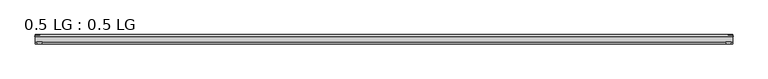
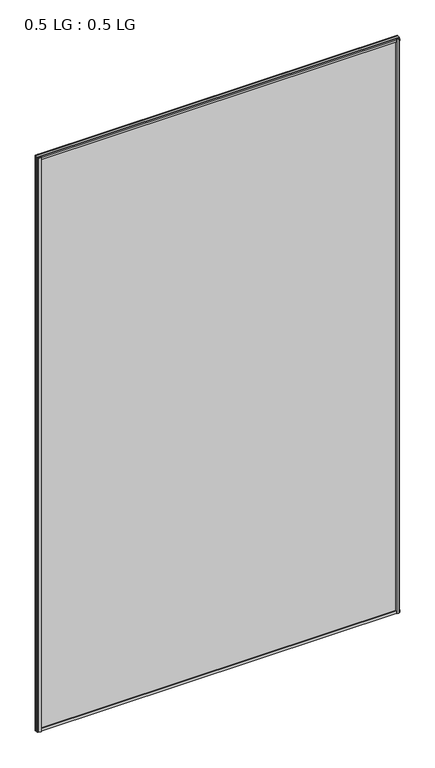
"""IFC4 building model written with IfcOpenShell, lengths in millimetres: plate geometry, 0.5 LG : 0.5 LG."""

from ifc_helpers import new_model, si_unit, frame, origin, origin_with_axes, place, context, project, spatial, polyline, outline, extrude, source, transform, mapped, element, save


def plate_0_5_lg_0_5_lg_db2b4330(model_context):
    return source(origin(), model_context, "Body", "SweptSolid", [
        extrude(outline(polyline([(-843.1987839, 16.9767247), (-844.4083739, 21.828125), (-830.8508671, 21.828125), (-832.060457, 16.9767247), (-843.1987839, 16.9767247)])), origin_with_axes(), (0.0, 0.0, 1.0), 2842.276264),
        extrude(outline(polyline([(-848.6447713, 34.680525), (-847.4069584, 39.4557249), (-836.2944499, 39.4557249), (-835.0806468, 34.680525), (-848.6447713, 34.680525)])), origin_with_axes(), (0.0, 0.0, 1.0), 2842.276264),
        extrude(outline(polyline([(843.1987839, 16.9767247), (832.060457, 16.9767247), (830.8508671, 21.828125), (844.4083739, 21.828125), (843.1987839, 16.9767247)])), origin_with_axes(), (0.0, 0.0, 1.0), 2842.276264),
        extrude(outline(polyline([(848.6447713, 34.680525), (835.0806468, 34.680525), (836.2944499, 39.4557249), (847.4069584, 39.4557249), (848.6447713, 34.680525)])), origin_with_axes(), (0.0, 0.0, 1.0), 2842.276264),
        extrude(outline(polyline([(39.4569539, 11.124921), (39.4569539, 0.0005878), (34.680525, -1.2138382), (34.680525, 12.3392211), (39.4569539, 11.124921)])), frame((-847.4069584, 0.0, 0.0), z_axis=(1.0, 0.0, 0.0), x_axis=(0.0, 1.0, 0.0)), (0.0, 0.0, 1.0), 1694.8139168),
        extrude(outline(polyline([(16.9767101, 13.8303088), (21.828125, 15.0636853), (21.828125, 1.4714303), (16.9767101, 2.704584), (16.9767101, 13.8303088)])), frame((-847.4069584, 0.0, 0.0), z_axis=(1.0, 0.0, 0.0), x_axis=(0.0, 1.0, 0.0)), (0.0, 0.0, 1.0), 1694.8139168),
        extrude(outline(polyline([(39.4569539, 2831.151343), (34.680525, 2829.9370429), (34.680525, 2843.4901022), (39.4569539, 2842.2756761), (39.4569539, 2831.151343)])), frame((-847.4069584, 0.0, 0.0), z_axis=(1.0, 0.0, 0.0), x_axis=(0.0, 1.0, 0.0)), (0.0, 0.0, 1.0), 1694.8139168),
        extrude(outline(polyline([(16.9767101, 2828.4459552), (16.9767101, 2839.57168), (21.828125, 2840.8048337), (21.828125, 2827.2125787), (16.9767101, 2828.4459552)])), frame((-847.4069584, 0.0, 0.0), z_axis=(1.0, 0.0, 0.0), x_axis=(0.0, 1.0, 0.0)), (0.0, 0.0, 1.0), 1694.8139168),
        extrude(outline(polyline([(847.4069584, 34.680525), (847.4069584, 21.828125), (-847.4069584, 21.828125), (-847.4069584, 34.680525), (847.4069584, 34.680525)])), origin_with_axes(), (0.0, 0.0, 1.0), 2842.276264),
    ])


if __name__ == "__main__":
    model = new_model("IFC4")
    model_context = context("Model", 3, world=origin())
    ifc_project = project(units=[si_unit("LENGTHUNIT", "METRE", prefix="MILLI")], contexts=[model_context])
    site = spatial("IfcSite", under=ifc_project)
    building = spatial("IfcBuilding", under=site)
    placement = place(None, origin())
    plate_0_5_lg_0_5_lg_shape = plate_0_5_lg_0_5_lg_db2b4330(model_context)
    element("IfcPlate", 1, ObjectType="0.5 LG : 0.5 LG", at=placement, inside=building, context=model_context, shape_type="MappedRepresentation", body=[
        mapped(plate_0_5_lg_0_5_lg_shape, transform((0.0, 0.0, 0.0), x_axis=(1.0, 0.0, 0.0), y_axis=(0.0, 1.0, 0.0), z_axis=(0.0, 0.0, 1.0))),
    ])
    save(model, "model.ifc")
